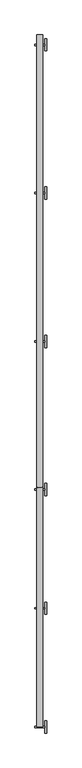
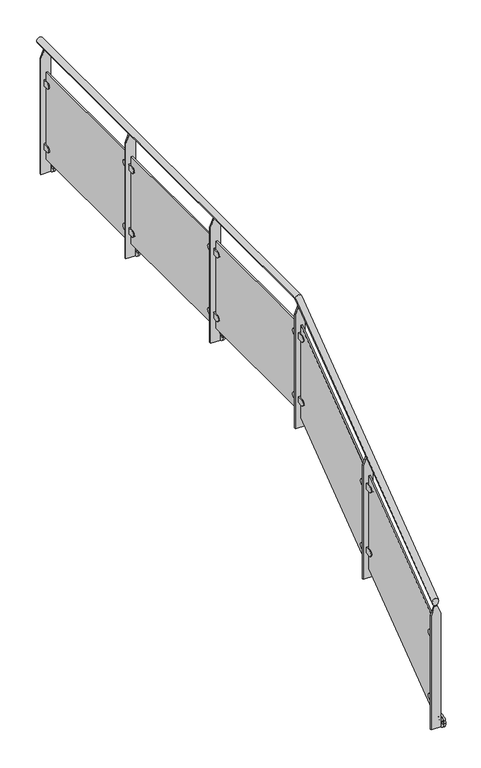
"""IFC4 building model written with IfcOpenShell, lengths in millimetres: railing geometry."""

from ifc_helpers import new_model, si_unit, point, frame, frame_2d, origin, place, context, project, spatial, polyline, circle_curve, ellipse_curve, trimmed, segment, composite_curve, outline, extrude, faceted_brep, source, transform, mapped, element, save
from ifc_brep_helpers import plane_surface, cylinder_surface, advanced_brep


def railing_84103dba(model_context):
    return source(origin(), model_context, "Body", "SolidModel", [
        advanced_brep(
        [(21395.5970847, 758.8773535, 1137.7352387), (21445.5970847, 758.8773535, 1137.7352387), (21445.5970847, 2701.0427821, 2588.6470588), (21395.5970847, 2701.0427821, 2588.6470588), (21395.5970847, 6358.8773535, 2588.6470588), (21445.5970847, 6358.8773535, 2588.6470588)],
        [
            (0, 1, ellipse_curve(frame((21420.5970847, 758.8773535, 1137.7352387), z_axis=(0.0, -1.0, 0.0), x_axis=(0.0, 0.0, -1.0)), 31.2059378, 25.0)),
            (1, 0, ellipse_curve(frame((21420.5970847, 758.8773535, 1137.7352387), z_axis=(0.0, -1.0, 0.0), x_axis=(0.0, 0.0, -1.0)), 31.2059378, 25.0)),
            (1, 2),
            (2, 3, ellipse_curve(frame((21420.5970847, 2701.0427821, 2588.6470588), z_axis=(0.0, -0.9489809231922534, -0.31533348603847705), x_axis=(0.0, 0.3153334860384766, -0.9489809231922536)), 26.3440491, 25.0)),
            (3, 0),
            (3, 2, ellipse_curve(frame((21420.5970847, 2701.0427821, 2588.6470588), z_axis=(0.0, -0.9489809231922534, -0.31533348603847705), x_axis=(0.0, 0.3153334860384766, -0.9489809231922536)), 26.3440491, 25.0)),
            (4, 5, circle_curve(frame((21420.5970847, 6358.8773535, 2588.6470588), z_axis=(0.0, 1.0, 0.0), x_axis=(1.0, 0.0, 0.0)), 25.0)),
            (5, 4, circle_curve(frame((21420.5970847, 6358.8773535, 2588.6470588), z_axis=(0.0, 1.0, 0.0), x_axis=(1.0, 0.0, 0.0)), 25.0)),
            (2, 5),
            (4, 3),
        ],
        [
            plane_surface(frame((21420.5970847, 758.8773535, 1168.9411765), z_axis=(0.0, -1.0, 0.0), x_axis=(0.0, 0.0, 1.0))),
            cylinder_surface(frame((21420.5970847, 773.8396267, 1148.9129368), z_axis=(0.0, -0.8011295851656433, -0.5984909253884511), x_axis=(1.0, 0.0, 0.0)), 25.0),
            plane_surface(frame((21420.5970847, 6358.8773535, 2613.6470588), z_axis=(0.0, 1.0, 0.0), x_axis=(0.0, 0.0, 1.0))),
            cylinder_surface(frame((21420.5970847, 2692.7356212, 2588.6470588), z_axis=(0.0, -1.0, 0.0), x_axis=(1.0, 0.0, 0.0)), 25.0),
        ],
        [
            (0, [[1, 2]]),
            (1, [[-2, 3, 4, 5]]),
            (1, [[-1, -5, 6, -3]]),
            (2, [[7, 8]]),
            (3, [[-4, 9, -7, 10]]),
            (3, [[-6, -10, -8, -9]]),
        ],
    ),
        extrude(outline(polyline([(1493.6470588, 21380.5970847), (1493.6470588, 21460.5970847), (2488.6470588, 21460.5970847), (2563.6470588, 21430.5970847), (2563.6470588, 21410.5970847), (2488.6470588, 21380.5970847), (1493.6470588, 21380.5970847)])), frame((0.0, 6272.8773535, 0.0), z_axis=(0.0, 1.0, 0.0), x_axis=(0.0, 0.0, 1.0)), (0.0, 0.0, 1.0), 12.0),
        extrude(outline(composite_curve([segment(trimmed(circle_curve(frame_2d((6278.8773535, 1543.6470588)), 50.0), [point((6328.8773535, 1543.6470588))], [point((6228.8773535, 1543.6470588))], False, "CARTESIAN"), True, "CONTINUOUS"), segment(trimmed(circle_curve(frame_2d((6278.8773535, 1543.6470588)), 50.0), [point((6228.8773535, 1543.6470588))], [point((6328.8773535, 1543.6470588))], False, "CARTESIAN"), True, "CONTINUOUS")], self_intersect=False), holes=[composite_curve([segment(trimmed(circle_curve(frame_2d((6309.8773535, 1543.6470588)), 9.0), [point((6318.8773535, 1543.6470588))], [point((6300.8773535, 1543.6470588))], True, "CARTESIAN"), True, "CONTINUOUS"), segment(trimmed(circle_curve(frame_2d((6309.8773535, 1543.6470588)), 9.0), [point((6300.8773535, 1543.6470588))], [point((6318.8773535, 1543.6470588))], True, "CARTESIAN"), True, "CONTINUOUS")], self_intersect=False), composite_curve([segment(trimmed(circle_curve(frame_2d((6247.8773535, 1543.6470588)), 9.0), [point((6256.8773535, 1543.6470588))], [point((6238.8773535, 1543.6470588))], True, "CARTESIAN"), True, "CONTINUOUS"), segment(trimmed(circle_curve(frame_2d((6247.8773535, 1543.6470588)), 9.0), [point((6238.8773535, 1543.6470588))], [point((6256.8773535, 1543.6470588))], True, "CARTESIAN"), True, "CONTINUOUS")], self_intersect=False)]), frame((21460.5970847, 0.0, 0.0), z_axis=(1.0, 0.0, 0.0), x_axis=(0.0, 1.0, 0.0)), (0.0, 0.0, 1.0), 15.0),
        extrude(outline(composite_curve([segment(polyline([(6228.0773535, 2304.0470588), (6272.8773535, 2304.0470588), (6272.8773535, 2253.2470588), (6228.0773535, 2253.2470588)]), True, "CONTINUOUS"), segment(trimmed(circle_curve(frame_2d((6228.0773535, 2278.6470588)), 25.4), [point((6228.0773535, 2253.2470588))], [point((6228.0773535, 2304.0470588))], False, "CARTESIAN"), True, "CONTINUOUS")], self_intersect=False)), frame((21405.0720847, 0.0, 0.0), z_axis=(1.0, 0.0, 0.0), x_axis=(0.0, 1.0, 0.0)), (0.0, 0.0, 1.0), 24.7),
        extrude(outline(composite_curve([segment(trimmed(circle_curve(frame_2d((5129.6773535, 2278.6470588)), 25.4), [point((5129.6773535, 2304.0470588))], [point((5129.6773535, 2253.2470588))], False, "CARTESIAN"), True, "CONTINUOUS"), segment(polyline([(5129.6773535, 2253.2470588), (5084.8773535, 2253.2470588), (5084.8773535, 2304.0470588), (5129.6773535, 2304.0470588)]), True, "CONTINUOUS")], self_intersect=False)), frame((21405.0720847, 0.0, 0.0), z_axis=(1.0, 0.0, 0.0), x_axis=(0.0, 1.0, 0.0)), (0.0, 0.0, 1.0), 24.7),
        extrude(outline(composite_curve([segment(polyline([(6228.0773535, 1754.0470588), (6272.8773535, 1754.0470588), (6272.8773535, 1703.2470588), (6228.0773535, 1703.2470588)]), True, "CONTINUOUS"), segment(trimmed(circle_curve(frame_2d((6228.0773535, 1728.6470588)), 25.4), [point((6228.0773535, 1703.2470588))], [point((6228.0773535, 1754.0470588))], False, "CARTESIAN"), True, "CONTINUOUS")], self_intersect=False)), frame((21405.0720847, 0.0, 0.0), z_axis=(1.0, 0.0, 0.0), x_axis=(0.0, 1.0, 0.0)), (0.0, 0.0, 1.0), 24.7),
        extrude(outline(composite_curve([segment(trimmed(circle_curve(frame_2d((5129.6773535, 1728.6470588)), 25.4), [point((5129.6773535, 1754.0470588))], [point((5129.6773535, 1703.2470588))], False, "CARTESIAN"), True, "CONTINUOUS"), segment(polyline([(5129.6773535, 1703.2470588), (5084.8773535, 1703.2470588), (5084.8773535, 1754.0470588), (5129.6773535, 1754.0470588)]), True, "CONTINUOUS")], self_intersect=False)), frame((21405.0720847, 0.0, 0.0), z_axis=(1.0, 0.0, 0.0), x_axis=(0.0, 1.0, 0.0)), (0.0, 0.0, 1.0), 24.7),
        extrude(outline(polyline([(21411.4220847, 5108.8773535), (21411.4220847, 6248.8773535), (21423.4220847, 6248.8773535), (21423.4220847, 5108.8773535), (21411.4220847, 5108.8773535)])), frame((0.0, 0.0, 1628.6470588), z_axis=(0.0, 0.0, 1.0), x_axis=(1.0, 0.0, 0.0)), (0.0, 0.0, 1.0), 750.0),
        extrude(outline(polyline([(1493.6470588, 21380.5970847), (1493.6470588, 21460.5970847), (2488.6470588, 21460.5970847), (2563.6470588, 21430.5970847), (2563.6470588, 21410.5970847), (2488.6470588, 21380.5970847), (1493.6470588, 21380.5970847)])), frame((0.0, 5072.8773535, 0.0), z_axis=(0.0, 1.0, 0.0), x_axis=(0.0, 0.0, 1.0)), (0.0, 0.0, 1.0), 12.0),
        extrude(outline(composite_curve([segment(trimmed(circle_curve(frame_2d((5078.8773535, 1543.6470588)), 50.0), [point((5128.8773535, 1543.6470588))], [point((5028.8773535, 1543.6470588))], False, "CARTESIAN"), True, "CONTINUOUS"), segment(trimmed(circle_curve(frame_2d((5078.8773535, 1543.6470588)), 50.0), [point((5028.8773535, 1543.6470588))], [point((5128.8773535, 1543.6470588))], False, "CARTESIAN"), True, "CONTINUOUS")], self_intersect=False), holes=[composite_curve([segment(trimmed(circle_curve(frame_2d((5109.8773535, 1543.6470588)), 9.0), [point((5118.8773535, 1543.6470588))], [point((5100.8773535, 1543.6470588))], True, "CARTESIAN"), True, "CONTINUOUS"), segment(trimmed(circle_curve(frame_2d((5109.8773535, 1543.6470588)), 9.0), [point((5100.8773535, 1543.6470588))], [point((5118.8773535, 1543.6470588))], True, "CARTESIAN"), True, "CONTINUOUS")], self_intersect=False), composite_curve([segment(trimmed(circle_curve(frame_2d((5047.8773535, 1543.6470588)), 9.0), [point((5056.8773535, 1543.6470588))], [point((5038.8773535, 1543.6470588))], True, "CARTESIAN"), True, "CONTINUOUS"), segment(trimmed(circle_curve(frame_2d((5047.8773535, 1543.6470588)), 9.0), [point((5038.8773535, 1543.6470588))], [point((5056.8773535, 1543.6470588))], True, "CARTESIAN"), True, "CONTINUOUS")], self_intersect=False)]), frame((21460.5970847, 0.0, 0.0), z_axis=(1.0, 0.0, 0.0), x_axis=(0.0, 1.0, 0.0)), (0.0, 0.0, 1.0), 15.0),
        extrude(outline(composite_curve([segment(polyline([(5028.0773535, 2304.0470588), (5072.8773535, 2304.0470588), (5072.8773535, 2253.2470588), (5028.0773535, 2253.2470588)]), True, "CONTINUOUS"), segment(trimmed(circle_curve(frame_2d((5028.0773535, 2278.6470588)), 25.4), [point((5028.0773535, 2253.2470588))], [point((5028.0773535, 2304.0470588))], False, "CARTESIAN"), True, "CONTINUOUS")], self_intersect=False)), frame((21405.0720847, 0.0, 0.0), z_axis=(1.0, 0.0, 0.0), x_axis=(0.0, 1.0, 0.0)), (0.0, 0.0, 1.0), 24.7),
        extrude(outline(composite_curve([segment(trimmed(circle_curve(frame_2d((3929.6773535, 2278.6470588)), 25.4), [point((3929.6773535, 2304.0470588))], [point((3929.6773535, 2253.2470588))], False, "CARTESIAN"), True, "CONTINUOUS"), segment(polyline([(3929.6773535, 2253.2470588), (3884.8773535, 2253.2470588), (3884.8773535, 2304.0470588), (3929.6773535, 2304.0470588)]), True, "CONTINUOUS")], self_intersect=False)), frame((21405.0720847, 0.0, 0.0), z_axis=(1.0, 0.0, 0.0), x_axis=(0.0, 1.0, 0.0)), (0.0, 0.0, 1.0), 24.7),
        extrude(outline(composite_curve([segment(polyline([(5028.0773535, 1754.0470588), (5072.8773535, 1754.0470588), (5072.8773535, 1703.2470588), (5028.0773535, 1703.2470588)]), True, "CONTINUOUS"), segment(trimmed(circle_curve(frame_2d((5028.0773535, 1728.6470588)), 25.4), [point((5028.0773535, 1703.2470588))], [point((5028.0773535, 1754.0470588))], False, "CARTESIAN"), True, "CONTINUOUS")], self_intersect=False)), frame((21405.0720847, 0.0, 0.0), z_axis=(1.0, 0.0, 0.0), x_axis=(0.0, 1.0, 0.0)), (0.0, 0.0, 1.0), 24.7),
        extrude(outline(composite_curve([segment(trimmed(circle_curve(frame_2d((3929.6773535, 1728.6470588)), 25.4), [point((3929.6773535, 1754.0470588))], [point((3929.6773535, 1703.2470588))], False, "CARTESIAN"), True, "CONTINUOUS"), segment(polyline([(3929.6773535, 1703.2470588), (3884.8773535, 1703.2470588), (3884.8773535, 1754.0470588), (3929.6773535, 1754.0470588)]), True, "CONTINUOUS")], self_intersect=False)), frame((21405.0720847, 0.0, 0.0), z_axis=(1.0, 0.0, 0.0), x_axis=(0.0, 1.0, 0.0)), (0.0, 0.0, 1.0), 24.7),
        extrude(outline(polyline([(21411.4220847, 3908.8773535), (21411.4220847, 5048.8773535), (21423.4220847, 5048.8773535), (21423.4220847, 3908.8773535), (21411.4220847, 3908.8773535)])), frame((0.0, 0.0, 1628.6470588), z_axis=(0.0, 0.0, 1.0), x_axis=(1.0, 0.0, 0.0)), (0.0, 0.0, 1.0), 750.0),
        extrude(outline(polyline([(1493.6470588, 21380.5970847), (1493.6470588, 21460.5970847), (2488.6470588, 21460.5970847), (2563.6470588, 21430.5970847), (2563.6470588, 21410.5970847), (2488.6470588, 21380.5970847), (1493.6470588, 21380.5970847)])), frame((0.0, 3872.8773535, 0.0), z_axis=(0.0, 1.0, 0.0), x_axis=(0.0, 0.0, 1.0)), (0.0, 0.0, 1.0), 12.0),
        extrude(outline(composite_curve([segment(trimmed(circle_curve(frame_2d((3878.8773535, 1543.6470588)), 50.0), [point((3928.8773535, 1543.6470588))], [point((3828.8773535, 1543.6470588))], False, "CARTESIAN"), True, "CONTINUOUS"), segment(trimmed(circle_curve(frame_2d((3878.8773535, 1543.6470588)), 50.0), [point((3828.8773535, 1543.6470588))], [point((3928.8773535, 1543.6470588))], False, "CARTESIAN"), True, "CONTINUOUS")], self_intersect=False), holes=[composite_curve([segment(trimmed(circle_curve(frame_2d((3909.8773535, 1543.6470588)), 9.0), [point((3918.8773535, 1543.6470588))], [point((3900.8773535, 1543.6470588))], True, "CARTESIAN"), True, "CONTINUOUS"), segment(trimmed(circle_curve(frame_2d((3909.8773535, 1543.6470588)), 9.0), [point((3900.8773535, 1543.6470588))], [point((3918.8773535, 1543.6470588))], True, "CARTESIAN"), True, "CONTINUOUS")], self_intersect=False), composite_curve([segment(trimmed(circle_curve(frame_2d((3847.8773535, 1543.6470588)), 9.0), [point((3856.8773535, 1543.6470588))], [point((3838.8773535, 1543.6470588))], True, "CARTESIAN"), True, "CONTINUOUS"), segment(trimmed(circle_curve(frame_2d((3847.8773535, 1543.6470588)), 9.0), [point((3838.8773535, 1543.6470588))], [point((3856.8773535, 1543.6470588))], True, "CARTESIAN"), True, "CONTINUOUS")], self_intersect=False)]), frame((21460.5970847, 0.0, 0.0), z_axis=(1.0, 0.0, 0.0), x_axis=(0.0, 1.0, 0.0)), (0.0, 0.0, 1.0), 15.0),
        extrude(outline(composite_curve([segment(polyline([(3828.0773535, 2304.0470588), (3872.8773535, 2304.0470588), (3872.8773535, 2253.2470588), (3828.0773535, 2253.2470588)]), True, "CONTINUOUS"), segment(trimmed(circle_curve(frame_2d((3828.0773535, 2278.6470588)), 25.4), [point((3828.0773535, 2253.2470588))], [point((3828.0773535, 2304.0470588))], False, "CARTESIAN"), True, "CONTINUOUS")], self_intersect=False)), frame((21405.0720847, 0.0, 0.0), z_axis=(1.0, 0.0, 0.0), x_axis=(0.0, 1.0, 0.0)), (0.0, 0.0, 1.0), 24.7),
        extrude(outline(composite_curve([segment(trimmed(circle_curve(frame_2d((2729.6773535, 2278.6470588)), 25.4), [point((2729.6773535, 2304.0470588))], [point((2729.6773535, 2253.2470588))], False, "CARTESIAN"), True, "CONTINUOUS"), segment(polyline([(2729.6773535, 2253.2470588), (2684.8773535, 2253.2470588), (2684.8773535, 2304.0470588), (2729.6773535, 2304.0470588)]), True, "CONTINUOUS")], self_intersect=False)), frame((21405.0720847, 0.0, 0.0), z_axis=(1.0, 0.0, 0.0), x_axis=(0.0, 1.0, 0.0)), (0.0, 0.0, 1.0), 24.7),
        extrude(outline(composite_curve([segment(polyline([(3828.0773535, 1754.0470588), (3872.8773535, 1754.0470588), (3872.8773535, 1703.2470588), (3828.0773535, 1703.2470588)]), True, "CONTINUOUS"), segment(trimmed(circle_curve(frame_2d((3828.0773535, 1728.6470588)), 25.4), [point((3828.0773535, 1703.2470588))], [point((3828.0773535, 1754.0470588))], False, "CARTESIAN"), True, "CONTINUOUS")], self_intersect=False)), frame((21405.0720847, 0.0, 0.0), z_axis=(1.0, 0.0, 0.0), x_axis=(0.0, 1.0, 0.0)), (0.0, 0.0, 1.0), 24.7),
        extrude(outline(composite_curve([segment(trimmed(circle_curve(frame_2d((2729.6773535, 1728.6470588)), 25.4), [point((2729.6773535, 1754.0470588))], [point((2729.6773535, 1703.2470588))], False, "CARTESIAN"), True, "CONTINUOUS"), segment(polyline([(2729.6773535, 1703.2470588), (2684.8773535, 1703.2470588), (2684.8773535, 1754.0470588), (2729.6773535, 1754.0470588)]), True, "CONTINUOUS")], self_intersect=False)), frame((21405.0720847, 0.0, 0.0), z_axis=(1.0, 0.0, 0.0), x_axis=(0.0, 1.0, 0.0)), (0.0, 0.0, 1.0), 24.7),
        extrude(outline(polyline([(21411.4220847, 2708.8773535), (21411.4220847, 3848.8773535), (21423.4220847, 3848.8773535), (21423.4220847, 2708.8773535), (21411.4220847, 2708.8773535)])), frame((0.0, 0.0, 1628.6470588), z_axis=(0.0, 0.0, 1.0), x_axis=(1.0, 0.0, 0.0)), (0.0, 0.0, 1.0), 750.0),
        faceted_brep([(21380.5970847, 2684.8773535, 1483.2941176), (21380.5970847, 2672.8773535, 1483.2941176), (21380.5970847, 2672.8773535, 2465.8822421), (21380.5970847, 2684.8773535, 2465.8822421), (21460.5970847, 2672.8773535, 1483.2941176), (21460.5970847, 2684.8773535, 1483.2941176), (21460.5970847, 2684.8773535, 2465.8822421), (21460.5970847, 2672.8773535, 2465.8822421), (21432.3900259, 2672.8773535, 2536.3998891), (21408.8041436, 2672.8773535, 2536.3998891), (21428.8041436, 2684.8773535, 2545.364595), (21412.3900259, 2684.8773535, 2545.364595)], [[[0, 1, 2, 3]], [[4, 5, 6, 7]], [[1, 4, 7, 8, 9, 2]], [[9, 8, 10, 11]], [[5, 0, 3, 11, 10, 6]], [[1, 0, 5, 4]], [[7, 6, 10, 8]], [[3, 2, 9, 11]]]),
        extrude(outline(composite_curve([segment(trimmed(circle_curve(frame_2d((2678.8773535, 1533.2941176)), 50.0), [point((2728.8773535, 1533.2941176))], [point((2628.8773535, 1533.2941176))], False, "CARTESIAN"), True, "CONTINUOUS"), segment(trimmed(circle_curve(frame_2d((2678.8773535, 1533.2941176)), 50.0), [point((2628.8773535, 1533.2941176))], [point((2728.8773535, 1533.2941176))], False, "CARTESIAN"), True, "CONTINUOUS")], self_intersect=False), holes=[composite_curve([segment(trimmed(circle_curve(frame_2d((2709.8773535, 1533.2941176)), 9.0), [point((2718.8773535, 1533.2941176))], [point((2700.8773535, 1533.2941176))], True, "CARTESIAN"), True, "CONTINUOUS"), segment(trimmed(circle_curve(frame_2d((2709.8773535, 1533.2941176)), 9.0), [point((2700.8773535, 1533.2941176))], [point((2718.8773535, 1533.2941176))], True, "CARTESIAN"), True, "CONTINUOUS")], self_intersect=False), composite_curve([segment(trimmed(circle_curve(frame_2d((2647.8773535, 1533.2941176)), 9.0), [point((2656.8773535, 1533.2941176))], [point((2638.8773535, 1533.2941176))], True, "CARTESIAN"), True, "CONTINUOUS"), segment(trimmed(circle_curve(frame_2d((2647.8773535, 1533.2941176)), 9.0), [point((2638.8773535, 1533.2941176))], [point((2656.8773535, 1533.2941176))], True, "CARTESIAN"), True, "CONTINUOUS")], self_intersect=False)]), frame((21460.5970847, 0.0, 0.0), z_axis=(1.0, 0.0, 0.0), x_axis=(0.0, 1.0, 0.0)), (0.0, 0.0, 1.0), 15.0),
        extrude(outline(composite_curve([segment(polyline([(2628.0773535, 2303.8703665), (2672.8773535, 2303.8703665), (2672.8773535, 2253.0703665), (2628.0773535, 2253.0703665)]), True, "CONTINUOUS"), segment(trimmed(circle_curve(frame_2d((2628.0773535, 2278.4703665)), 25.4), [point((2628.0773535, 2253.0703665))], [point((2628.0773535, 2303.8703665))], False, "CARTESIAN"), True, "CONTINUOUS")], self_intersect=False)), frame((21405.0720847, 0.0, 0.0), z_axis=(1.0, 0.0, 0.0), x_axis=(0.0, 1.0, 0.0)), (0.0, 0.0, 1.0), 24.7),
        extrude(outline(composite_curve([segment(trimmed(circle_curve(frame_2d((1769.6773535, 1561.2938959)), 25.4), [point((1769.6773535, 1586.6938959))], [point((1769.6773535, 1535.8938959))], False, "CARTESIAN"), True, "CONTINUOUS"), segment(polyline([(1769.6773535, 1535.8938959), (1724.8773535, 1535.8938959), (1724.8773535, 1586.6938959), (1769.6773535, 1586.6938959)]), True, "CONTINUOUS")], self_intersect=False)), frame((21405.0720847, 0.0, 0.0), z_axis=(1.0, 0.0, 0.0), x_axis=(0.0, 1.0, 0.0)), (0.0, 0.0, 1.0), 24.7),
        extrude(outline(composite_curve([segment(polyline([(2628.0773535, 1753.5178688), (2672.8773535, 1753.5178688), (2672.8773535, 1702.7178688), (2628.0773535, 1702.7178688)]), True, "CONTINUOUS"), segment(trimmed(circle_curve(frame_2d((2628.0773535, 1728.1178688)), 25.4), [point((2628.0773535, 1702.7178688))], [point((2628.0773535, 1753.5178688))], False, "CARTESIAN"), True, "CONTINUOUS")], self_intersect=False)), frame((21405.0720847, 0.0, 0.0), z_axis=(1.0, 0.0, 0.0), x_axis=(0.0, 1.0, 0.0)), (0.0, 0.0, 1.0), 24.7),
        extrude(outline(composite_curve([segment(trimmed(circle_curve(frame_2d((1769.6773535, 1010.9413982)), 25.4), [point((1769.6773535, 1036.3413982))], [point((1769.6773535, 985.5413982))], False, "CARTESIAN"), True, "CONTINUOUS"), segment(polyline([(1769.6773535, 985.5413982), (1724.8773535, 985.5413982), (1724.8773535, 1036.3413982), (1769.6773535, 1036.3413982)]), True, "CONTINUOUS")], self_intersect=False)), frame((21405.0720847, 0.0, 0.0), z_axis=(1.0, 0.0, 0.0), x_axis=(0.0, 1.0, 0.0)), (0.0, 0.0, 1.0), 24.7),
        extrude(outline(polyline([(1748.8773535, 1708.5294118), (2648.8773535, 2380.8823529), (2648.8773535, 1580.8823529), (1748.8773535, 908.5294118), (1748.8773535, 1708.5294118)])), frame((21411.4220847, 0.0, 0.0), z_axis=(1.0, 0.0, 0.0), x_axis=(0.0, 1.0, 0.0)), (0.0, 0.0, 1.0), 12.0),
        faceted_brep([(21380.5970847, 1724.8773535, 766.1176471), (21380.5970847, 1712.8773535, 766.1176471), (21380.5970847, 1712.8773535, 1748.7057715), (21380.5970847, 1724.8773535, 1748.7057715), (21460.5970847, 1712.8773535, 766.1176471), (21460.5970847, 1724.8773535, 766.1176471), (21460.5970847, 1724.8773535, 1748.7057715), (21460.5970847, 1712.8773535, 1748.7057715), (21432.3900259, 1712.8773535, 1819.2234185), (21408.8041436, 1712.8773535, 1819.2234185), (21428.8041436, 1724.8773535, 1828.1881244), (21412.3900259, 1724.8773535, 1828.1881244)], [[[0, 1, 2, 3]], [[4, 5, 6, 7]], [[1, 4, 7, 8, 9, 2]], [[9, 8, 10, 11]], [[5, 0, 3, 11, 10, 6]], [[1, 0, 5, 4]], [[7, 6, 10, 8]], [[3, 2, 9, 11]]]),
        extrude(outline(composite_curve([segment(trimmed(circle_curve(frame_2d((1718.8773535, 816.1176471)), 50.0), [point((1768.8773535, 816.1176471))], [point((1668.8773535, 816.1176471))], False, "CARTESIAN"), True, "CONTINUOUS"), segment(trimmed(circle_curve(frame_2d((1718.8773535, 816.1176471)), 50.0), [point((1668.8773535, 816.1176471))], [point((1768.8773535, 816.1176471))], False, "CARTESIAN"), True, "CONTINUOUS")], self_intersect=False), holes=[composite_curve([segment(trimmed(circle_curve(frame_2d((1749.8773535, 816.1176471)), 9.0), [point((1758.8773535, 816.1176471))], [point((1740.8773535, 816.1176471))], True, "CARTESIAN"), True, "CONTINUOUS"), segment(trimmed(circle_curve(frame_2d((1749.8773535, 816.1176471)), 9.0), [point((1740.8773535, 816.1176471))], [point((1758.8773535, 816.1176471))], True, "CARTESIAN"), True, "CONTINUOUS")], self_intersect=False), composite_curve([segment(trimmed(circle_curve(frame_2d((1687.8773535, 816.1176471)), 9.0), [point((1696.8773535, 816.1176471))], [point((1678.8773535, 816.1176471))], True, "CARTESIAN"), True, "CONTINUOUS"), segment(trimmed(circle_curve(frame_2d((1687.8773535, 816.1176471)), 9.0), [point((1678.8773535, 816.1176471))], [point((1696.8773535, 816.1176471))], True, "CARTESIAN"), True, "CONTINUOUS")], self_intersect=False)]), frame((21460.5970847, 0.0, 0.0), z_axis=(1.0, 0.0, 0.0), x_axis=(0.0, 1.0, 0.0)), (0.0, 0.0, 1.0), 15.0),
        extrude(outline(composite_curve([segment(polyline([(1668.0773535, 1586.6938959), (1712.8773535, 1586.6938959), (1712.8773535, 1535.8938959), (1668.0773535, 1535.8938959)]), True, "CONTINUOUS"), segment(trimmed(circle_curve(frame_2d((1668.0773535, 1561.2938959)), 25.4), [point((1668.0773535, 1535.8938959))], [point((1668.0773535, 1586.6938959))], False, "CARTESIAN"), True, "CONTINUOUS")], self_intersect=False)), frame((21405.0720847, 0.0, 0.0), z_axis=(1.0, 0.0, 0.0), x_axis=(0.0, 1.0, 0.0)), (0.0, 0.0, 1.0), 24.7),
        extrude(outline(composite_curve([segment(trimmed(circle_curve(frame_2d((809.6773535, 844.1174253)), 25.4), [point((809.6773535, 869.5174253))], [point((809.6773535, 818.7174253))], False, "CARTESIAN"), True, "CONTINUOUS"), segment(polyline([(809.6773535, 818.7174253), (764.8773535, 818.7174253), (764.8773535, 869.5174253), (809.6773535, 869.5174253)]), True, "CONTINUOUS")], self_intersect=False)), frame((21405.0720847, 0.0, 0.0), z_axis=(1.0, 0.0, 0.0), x_axis=(0.0, 1.0, 0.0)), (0.0, 0.0, 1.0), 24.7),
        extrude(outline(composite_curve([segment(polyline([(1668.0773535, 1036.3413982), (1712.8773535, 1036.3413982), (1712.8773535, 985.5413982), (1668.0773535, 985.5413982)]), True, "CONTINUOUS"), segment(trimmed(circle_curve(frame_2d((1668.0773535, 1010.9413982)), 25.4), [point((1668.0773535, 985.5413982))], [point((1668.0773535, 1036.3413982))], False, "CARTESIAN"), True, "CONTINUOUS")], self_intersect=False)), frame((21405.0720847, 0.0, 0.0), z_axis=(1.0, 0.0, 0.0), x_axis=(0.0, 1.0, 0.0)), (0.0, 0.0, 1.0), 24.7),
        extrude(outline(composite_curve([segment(trimmed(circle_curve(frame_2d((809.6773535, 293.7649276)), 25.4), [point((809.6773535, 319.1649276))], [point((809.6773535, 268.3649276))], False, "CARTESIAN"), True, "CONTINUOUS"), segment(polyline([(809.6773535, 268.3649276), (764.8773535, 268.3649276), (764.8773535, 319.1649276), (809.6773535, 319.1649276)]), True, "CONTINUOUS")], self_intersect=False)), frame((21405.0720847, 0.0, 0.0), z_axis=(1.0, 0.0, 0.0), x_axis=(0.0, 1.0, 0.0)), (0.0, 0.0, 1.0), 24.7),
        extrude(outline(polyline([(788.8773535, 991.3529412), (1688.8773535, 1663.7058824), (1688.8773535, 863.7058824), (788.8773535, 191.3529412), (788.8773535, 991.3529412)])), frame((21411.4220847, 0.0, 0.0), z_axis=(1.0, 0.0, 0.0), x_axis=(0.0, 1.0, 0.0)), (0.0, 0.0, 1.0), 12.0),
        faceted_brep([(21380.5970847, 764.8773535, 48.9411765), (21380.5970847, 752.8773535, 48.9411765), (21380.5970847, 752.8773535, 1031.5293009), (21380.5970847, 764.8773535, 1031.5293009), (21460.5970847, 752.8773535, 48.9411765), (21460.5970847, 764.8773535, 48.9411765), (21460.5970847, 764.8773535, 1031.5293009), (21460.5970847, 752.8773535, 1031.5293009), (21432.3900259, 752.8773535, 1102.0469479), (21408.8041436, 752.8773535, 1102.0469479), (21428.8041436, 764.8773535, 1111.0116538), (21412.3900259, 764.8773535, 1111.0116538)], [[[0, 1, 2, 3]], [[4, 5, 6, 7]], [[1, 4, 7, 8, 9, 2]], [[9, 8, 10, 11]], [[5, 0, 3, 11, 10, 6]], [[1, 0, 5, 4]], [[7, 6, 10, 8]], [[3, 2, 9, 11]]]),
        extrude(outline(composite_curve([segment(trimmed(circle_curve(frame_2d((758.8773535, 98.9411765)), 50.0), [point((808.8773535, 98.9411765))], [point((708.8773535, 98.9411765))], False, "CARTESIAN"), True, "CONTINUOUS"), segment(trimmed(circle_curve(frame_2d((758.8773535, 98.9411765)), 50.0), [point((708.8773535, 98.9411765))], [point((808.8773535, 98.9411765))], False, "CARTESIAN"), True, "CONTINUOUS")], self_intersect=False), holes=[composite_curve([segment(trimmed(circle_curve(frame_2d((789.8773535, 98.9411765)), 9.0), [point((798.8773535, 98.9411765))], [point((780.8773535, 98.9411765))], True, "CARTESIAN"), True, "CONTINUOUS"), segment(trimmed(circle_curve(frame_2d((789.8773535, 98.9411765)), 9.0), [point((780.8773535, 98.9411765))], [point((798.8773535, 98.9411765))], True, "CARTESIAN"), True, "CONTINUOUS")], self_intersect=False), composite_curve([segment(trimmed(circle_curve(frame_2d((727.8773535, 98.9411765)), 9.0), [point((736.8773535, 98.9411765))], [point((718.8773535, 98.9411765))], True, "CARTESIAN"), True, "CONTINUOUS"), segment(trimmed(circle_curve(frame_2d((727.8773535, 98.9411765)), 9.0), [point((718.8773535, 98.9411765))], [point((736.8773535, 98.9411765))], True, "CARTESIAN"), True, "CONTINUOUS")], self_intersect=False)]), frame((21460.5970847, 0.0, 0.0), z_axis=(1.0, 0.0, 0.0), x_axis=(0.0, 1.0, 0.0)), (0.0, 0.0, 1.0), 15.0),
    ])


if __name__ == "__main__":
    model = new_model("IFC4")
    model_context = context("Model", 3, world=origin())
    ifc_project = project(units=[si_unit("LENGTHUNIT", "METRE", prefix="MILLI")], contexts=[model_context])
    site = spatial("IfcSite", under=ifc_project)
    building = spatial("IfcBuilding", under=site)
    placement = place(None, origin())
    railing_shape = railing_84103dba(model_context)
    element("IfcRailing", 1, at=placement, inside=building, context=model_context, shape_type="MappedRepresentation", body=[
        mapped(railing_shape, transform((0.0, 0.0, 0.0), x_axis=(1.0, 0.0, 0.0), y_axis=(0.0, 1.0, 0.0), z_axis=(0.0, 0.0, 1.0))),
    ])
    save(model, "model.ifc")
